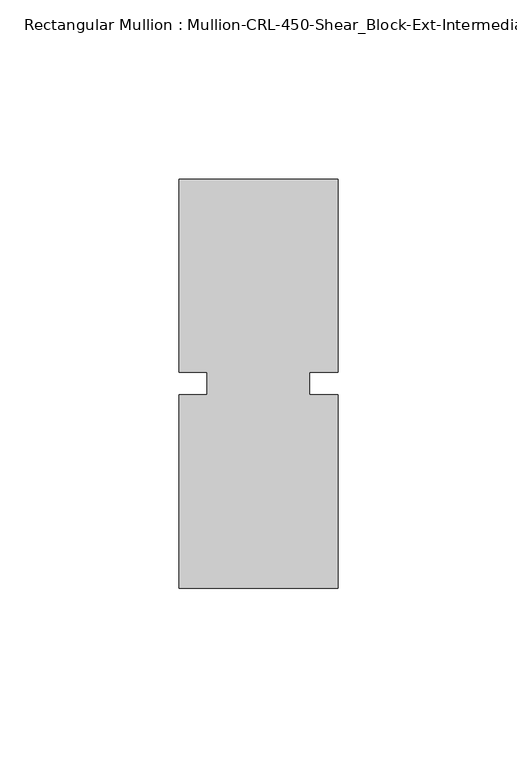
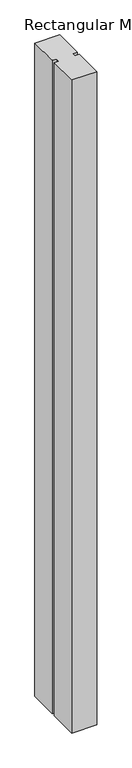
"""IFC4 building model written with IfcOpenShell, lengths in millimetres: member geometry, Rectangular Mullion : Mullion-CRL-450-Shear_Block-Ext-Intermediate_Horizontal."""

from ifc_helpers import new_model, si_unit, frame, origin, place, context, project, spatial, polyline, outline, extrude, source, transform, mapped, element, save


def rectangular_mullion_mullion_crl_450_shear_block_ext_647864a6(model_context):
    return source(origin(), model_context, "Body", "SweptSolid", [
        extrude(outline(polyline([(-22.2249304, -3.175), (-14.2747305, -3.175), (-14.2747305, 3.175), (-22.2249304, 3.175), (-22.2249304, 57.15), (22.2249304, 57.15), (22.2249304, 3.175), (14.2874304, 3.175), (14.2874304, -3.175), (22.2249304, -3.175), (22.2249304, -57.15), (-22.2249304, -57.15), (-22.2249304, -3.175)])), frame((0.0, 0.0, -1234.0166524), z_axis=(0.0, 0.0, 1.0), x_axis=(1.0, 0.0, 0.0)), (0.0, 0.0, 1.0), 1234.0166524),
    ])


if __name__ == "__main__":
    model = new_model("IFC4")
    model_context = context("Model", 3, world=origin())
    ifc_project = project(units=[si_unit("LENGTHUNIT", "METRE", prefix="MILLI")], contexts=[model_context])
    site = spatial("IfcSite", under=ifc_project)
    building = spatial("IfcBuilding", under=site)
    placement = place(None, origin())
    rectangular_mullion_mullion_crl_450_shear_block_ext_shape = rectangular_mullion_mullion_crl_450_shear_block_ext_647864a6(model_context)
    element("IfcMember", 1, ObjectType="Rectangular Mullion : Mullion-CRL-450-Shear_Block-Ext-Intermediate_Horizontal", at=placement, inside=building, context=model_context, shape_type="MappedRepresentation", body=[
        mapped(rectangular_mullion_mullion_crl_450_shear_block_ext_shape, transform((0.0, 0.0, 0.0), x_axis=(1.0, 0.0, 0.0), y_axis=(0.0, 1.0, 0.0), z_axis=(0.0, 0.0, 1.0))),
    ])
    save(model, "model.ifc")
